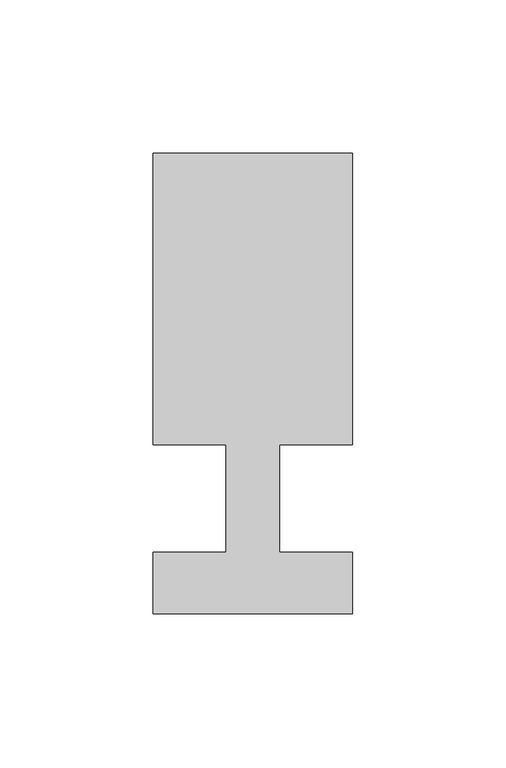
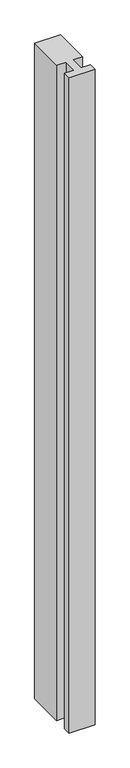
"""IFC4 building model written with IfcOpenShell, lengths in millimetres: member geometry."""

from ifc_helpers import new_model, si_unit, frame, origin, place, context, project, spatial, polyline, outline, extrude, source, transform, mapped, element, save


def member_2fce6d26(model_context):
    return source(origin(), model_context, "Body", "SweptSolid", [
        extrude(outline(polyline([(-65.0, -37.0), (-65.0, -17.0), (-41.1875, -17.0), (-41.1875, 18.0), (-65.0, 18.0), (-65.0, 113.0), (0.0, 113.0), (0.0, 18.0), (-23.8125, 18.0), (-23.8125, -17.0), (0.0, -17.0), (0.0, -37.0), (-65.0, -37.0)])), frame((0.0, 0.0, -1740.0), z_axis=(0.0, 0.0, 1.0), x_axis=(1.0, 0.0, 0.0)), (0.0, 0.0, 1.0), 1740.0),
    ])


if __name__ == "__main__":
    model = new_model("IFC4")
    model_context = context("Model", 3, world=origin())
    ifc_project = project(units=[si_unit("LENGTHUNIT", "METRE", prefix="MILLI")], contexts=[model_context])
    site = spatial("IfcSite", under=ifc_project)
    building = spatial("IfcBuilding", under=site)
    placement = place(None, origin())
    member_shape = member_2fce6d26(model_context)
    element("IfcMember", 1, at=placement, inside=building, context=model_context, shape_type="MappedRepresentation", body=[
        mapped(member_shape, transform((0.0, 0.0, 0.0), x_axis=(1.0, 0.0, 0.0), y_axis=(0.0, 1.0, 0.0), z_axis=(0.0, 0.0, 1.0))),
    ])
    save(model, "model.ifc")
